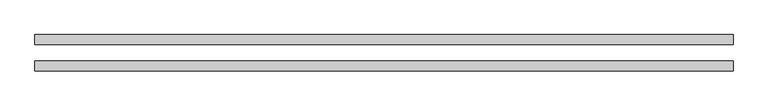
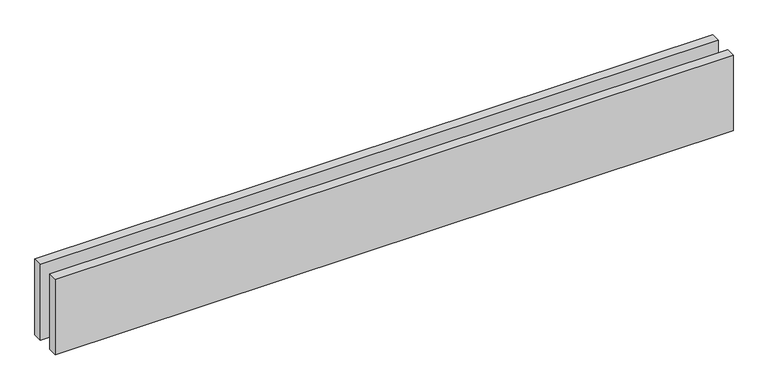
"""IFC4 building model written with IfcOpenShell, lengths in millimetres: proxy geometry."""

from ifc_helpers import new_model, si_unit, origin, origin_with_axes, place, context, project, spatial, polyline, outline, extrude, source, transform, mapped, element, save


def generic_models_073e7343(model_context):
    return source(origin(), model_context, "Body", "SweptSolid", [
        extrude(outline(polyline([(2120.0, 25.0), (0.0, 25.0), (0.0, 55.0), (2120.0, 55.0), (2120.0, 25.0)])), origin_with_axes(), (0.0, 0.0, 1.0), 250.0),
        extrude(outline(polyline([(2120.0, -55.0), (0.0, -55.0), (0.0, -25.0), (2120.0, -25.0), (2120.0, -55.0)])), origin_with_axes(), (0.0, 0.0, 1.0), 250.0),
    ])


if __name__ == "__main__":
    model = new_model("IFC4")
    model_context = context("Model", 3, world=origin())
    ifc_project = project(units=[si_unit("LENGTHUNIT", "METRE", prefix="MILLI")], contexts=[model_context])
    site = spatial("IfcSite", under=ifc_project)
    building = spatial("IfcBuilding", under=site)
    placement = place(None, origin())
    generic_models_shape = generic_models_073e7343(model_context)
    element("IfcBuildingElementProxy", 1, Name="Generic Models", at=placement, inside=building, context=model_context, shape_type="MappedRepresentation", body=[
        mapped(generic_models_shape, transform((0.0, 0.0, 0.0), x_axis=(1.0, 0.0, 0.0), y_axis=(0.0, 1.0, 0.0), z_axis=(0.0, 0.0, 1.0))),
    ])
    save(model, "model.ifc")
